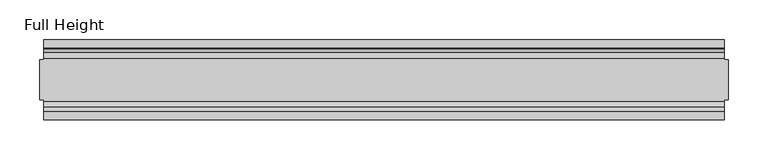
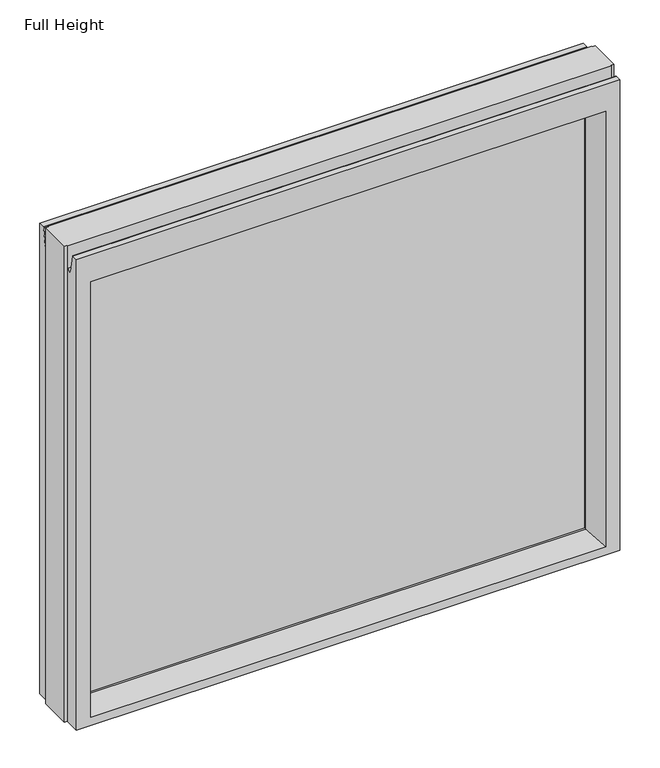
"""IFC4 building model written with IfcOpenShell, lengths in millimetres: plate geometry, Full Height."""

from ifc_helpers import new_model, si_unit, frame, origin, place, context, project, spatial, polyline, circle_curve, outline, extrude, source, transform, mapped, element, save
from ifc_brep_helpers import plane_surface, cylinder_surface, revolved_surface, advanced_brep


def full_height_3d29f75b(model_context):
    return source(origin(), model_context, "Body", "SolidModel", [
        advanced_brep(
        [(426.4172658, -50.0, 0.0), (-426.4172658, -50.0, 0.0), (-426.4172658, -25.146, 0.0), (-430.9892658, -25.146, 0.0), (-430.9892658, 25.146, 0.0), (-426.4172658, 25.146, 0.0), (-426.4172658, 50.0, 0.0), (426.4172658, 50.0, 0.0), (426.4172658, 25.146, 0.0), (430.9892658, 25.146, 0.0), (430.9892658, -25.146, 0.0), (426.4172658, -25.146, 0.0), (430.9892658, -25.146, 789.94), (430.9892658, 25.146, 789.94), (426.4172658, 25.146, 789.94), (426.4172658, 26.67, 789.94), (-426.4172658, 26.67, 789.94), (-426.4172658, 25.146, 789.94), (-430.9892658, 25.146, 789.94), (-430.9892658, -25.146, 789.94), (-426.4172658, -25.146, 789.94), (-426.4172658, -26.67, 789.94), (426.4172658, -26.67, 789.94), (426.4172658, -25.146, 789.94), (-426.4172658, -26.67, 752.729), (426.4172658, -26.67, 752.729), (-426.4172658, 26.67, 752.729), (-426.4172658, 34.2321175, 752.0674004), (-426.4172658, 39.1867152, 780.1663199), (-426.4172658, 39.9371387, 780.796), (-426.4172658, 50.0, 780.796), (-426.4172658, -50.0, 780.796), (-426.4172658, -39.9371387, 780.796), (-426.4172658, -39.1867152, 780.1663199), (-426.4172658, -34.2321175, 752.0674004), (426.4172658, 50.0, 780.796), (-404.3192658, 50.0, 736.219), (-404.3192658, 50.0, 13.9954), (404.3192658, 50.0, 13.9954), (404.3192658, 50.0, 736.219), (426.4172658, -50.0, 780.796), (-404.3192658, -50.0, 13.9954), (-404.3192658, -50.0, 736.219), (404.3192658, -50.0, 736.219), (404.3192658, -50.0, 13.9954), (-398.3502658, 6.1006519, 730.25), (-398.3502658, 6.1006519, 18.3896), (-398.3502658, -6.1006519, 18.3896), (-398.3502658, -6.1006519, 730.25), (398.3502658, -6.1006519, 730.25), (398.3502658, -6.1006519, 18.3896), (398.3502658, 6.1006519, 730.25), (398.3502658, 6.1006519, 18.3896), (426.4172658, -34.2321175, 752.0674004), (426.4172658, -39.1867152, 780.1663199), (426.4172658, -39.9371387, 780.796), (426.4172658, 39.9371387, 780.796), (426.4172658, 39.1867152, 780.1663199), (426.4172658, 34.2321175, 752.0674004), (426.4172658, 26.67, 752.729)],
        [
            (0, 1),
            (1, 2),
            (2, 3),
            (3, 4),
            (4, 5),
            (5, 6),
            (6, 7),
            (7, 8),
            (8, 9),
            (9, 10),
            (10, 11),
            (11, 0),
            (12, 13),
            (13, 14),
            (14, 15),
            (15, 16),
            (16, 17),
            (17, 18),
            (18, 19),
            (19, 20),
            (20, 21),
            (21, 22),
            (22, 23),
            (23, 12),
            (10, 12),
            (23, 11),
            (13, 9),
            (8, 14),
            (18, 4),
            (3, 19),
            (17, 5),
            (2, 20),
            (24, 25),
            (25, 22),
            (21, 24),
            (16, 26),
            (26, 27, circle_curve(frame((-426.4172658, 30.48, 752.729), z_axis=(1.0, 0.0, 0.0), x_axis=(0.0, 1.0, 0.0)), 3.81)),
            (27, 28),
            (28, 29, circle_curve(frame((-426.4172658, 39.9371387, 780.034), z_axis=(-1.0, 0.0, 0.0), x_axis=(0.0, 1.0, 0.0)), 0.762)),
            (29, 30),
            (30, 6),
            (1, 31),
            (31, 32),
            (32, 33, circle_curve(frame((-426.4172658, -39.9371387, 780.034), z_axis=(-1.0, 0.0, 0.0), x_axis=(0.0, 1.0, 0.0)), 0.762)),
            (33, 34),
            (34, 24, circle_curve(frame((-426.4172658, -30.48, 752.729), z_axis=(1.0, 0.0, 0.0), x_axis=(0.0, 1.0, 0.0)), 3.81)),
            (30, 35),
            (35, 7),
            (36, 37),
            (37, 38),
            (38, 39),
            (39, 36),
            (0, 40),
            (40, 31),
            (41, 42),
            (42, 43),
            (43, 44),
            (44, 41),
            (36, 45),
            (45, 46),
            (46, 37),
            (41, 47),
            (47, 48),
            (48, 42),
            (43, 49),
            (49, 50),
            (50, 44),
            (51, 39),
            (38, 52),
            (52, 51),
            (25, 53, circle_curve(frame((426.4172658, -30.48, 752.729), z_axis=(-1.0, 0.0, 0.0), x_axis=(0.0, 1.0, 0.0)), 3.81)),
            (53, 54),
            (54, 55, circle_curve(frame((426.4172658, -39.9371387, 780.034), z_axis=(1.0, 0.0, 0.0), x_axis=(0.0, 1.0, 0.0)), 0.762)),
            (55, 40),
            (35, 56),
            (56, 57, circle_curve(frame((426.4172658, 39.9371387, 780.034), z_axis=(1.0, 0.0, 0.0), x_axis=(0.0, 1.0, 0.0)), 0.762)),
            (57, 58),
            (58, 59, circle_curve(frame((426.4172658, 30.48, 752.729), z_axis=(-1.0, 0.0, 0.0), x_axis=(0.0, 1.0, 0.0)), 3.81)),
            (59, 15),
            (55, 32),
            (29, 56),
            (59, 26),
            (51, 45),
            (33, 54),
            (53, 34),
            (28, 57),
            (27, 58),
            (46, 52),
            (50, 47),
            (48, 49),
            (51, 49),
            (48, 45),
            (46, 47),
            (50, 52),
        ],
        [
            plane_surface(frame((-426.4172658, 50.0, 0.0), z_axis=(0.0, 0.0, -1.0), x_axis=(0.0, -1.0, 0.0))),
            plane_surface(frame((426.4172658, -25.146, 789.94), z_axis=(0.0, 0.0, 1.0), x_axis=(-1.0, 0.0, 0.0))),
            plane_surface(frame((430.9892658, -25.146, 789.94), z_axis=(0.0, -1.0, 0.0), x_axis=(0.0, 0.0, -1.0))),
            plane_surface(frame((426.4172658, 25.146, 789.94), z_axis=(0.0, 1.0, 0.0), x_axis=(0.0, 0.0, -1.0))),
            plane_surface(frame((430.9892658, 25.146, 789.94), z_axis=(1.0, 0.0, 0.0), x_axis=(0.0, 0.0, -1.0))),
            plane_surface(frame((-430.9892658, -25.146, 789.94), z_axis=(-1.0, 0.0, 0.0), x_axis=(0.0, 0.0, -1.0))),
            plane_surface(frame((-430.9892658, 25.146, 789.94), z_axis=(0.0, 1.0, 0.0), x_axis=(0.0, 0.0, -1.0))),
            plane_surface(frame((-426.4172658, -25.146, 789.94), z_axis=(0.0, -1.0, 0.0), x_axis=(0.0, 0.0, -1.0))),
            plane_surface(frame((-426.4172658, -26.67, 789.94), z_axis=(0.0, -1.0, 0.0), x_axis=(1.0, 0.0, 0.0))),
            plane_surface(frame((-426.4172658, -50.0, 748.0046), z_axis=(-1.0, 0.0, 0.0), x_axis=(0.0, 0.0, -1.0))),
            plane_surface(frame((-426.4172658, 50.0, 748.0046), z_axis=(0.0, 1.0, 0.0), x_axis=(0.0, 0.0, -1.0))),
            plane_surface(frame((-404.3192658, -50.0, 748.0046), z_axis=(0.0, -1.0, 0.0), x_axis=(0.0, 0.0, -1.0))),
            plane_surface(frame((-404.3192658, 50.0, 748.0046), z_axis=(0.990882294353361, 0.13473039277393772, 0.0), x_axis=(0.0, 0.0, -1.0))),
            plane_surface(frame((-398.3502658, -6.1006519, 748.0046), z_axis=(0.990882294353361, -0.13473039277393709, 0.0), x_axis=(0.0, 0.0, -1.0))),
            plane_surface(frame((404.3192658, -50.0, 748.0046), z_axis=(-0.9908822943533626, -0.134730392773925, 0.0), x_axis=(0.0, 0.0, -1.0))),
            plane_surface(frame((398.3502658, 6.1006519, 748.0046), z_axis=(-0.9908822943533585, 0.13473039277395565, 0.0), x_axis=(0.0, 0.0, -1.0))),
            plane_surface(frame((426.4172658, 50.0, 748.0046), z_axis=(1.0, 0.0, 0.0), x_axis=(0.0, 0.0, -1.0))),
            plane_surface(frame((-426.4172658, -39.9371387, 780.796), z_axis=(0.0, 0.0, 1.0), x_axis=(1.0, 0.0, 0.0))),
            plane_surface(frame((-426.4172658, 50.0, 780.796), z_axis=(0.0, 0.0, 1.0), x_axis=(1.0, 0.0, 0.0))),
            plane_surface(frame((-426.4172658, 26.67, 752.729), z_axis=(0.0, 1.0, 0.0), x_axis=(1.0, 0.0, 0.0))),
            plane_surface(frame((-426.4172658, 6.1006519, 730.25), z_axis=(0.0, 0.13473039277393184, -0.9908822943533617), x_axis=(1.0, 0.0, 0.0))),
            plane_surface(frame((-426.4172658, -34.2321175, 752.0674004), z_axis=(0.0, 0.9848077530122084, 0.17364817766692875), x_axis=(1.0, 0.0, 0.0))),
            revolved_surface(polyline([(426.4172658, -26.67, 752.729), (-426.4172658, -26.67, 752.729)]), (426.4172658, -30.48, 752.729), (1.0, 0.0, 0.0)),
            cylinder_surface(frame((426.4172658, -39.9371387, 780.034), z_axis=(-1.0, 0.0, 0.0), x_axis=(0.0, 1.0, 0.0)), 0.762),
            cylinder_surface(frame((426.4172658, 39.9371387, 780.034), z_axis=(-1.0, 0.0, 0.0), x_axis=(0.0, 1.0, 0.0)), 0.762),
            plane_surface(frame((-426.4172658, 39.1867152, 780.1663199), z_axis=(0.0, -0.9848077530122005, 0.17364817766697394), x_axis=(1.0, 0.0, 0.0))),
            revolved_surface(polyline([(426.4172658, 34.29, 752.729), (-426.4172658, 34.29, 752.729)]), (426.4172658, 30.48, 752.729), (1.0, 0.0, 0.0)),
            plane_surface(frame((-426.4172658, 50.0, 13.9954), z_axis=(0.0, 0.09959943661133767, 0.9950276138010965), x_axis=(1.0, 0.0, 0.0))),
            plane_surface(frame((-426.4172658, -6.1006519, 18.3896), z_axis=(0.0, -0.09959943661137731, 0.9950276138010926), x_axis=(1.0, 0.0, 0.0))),
            plane_surface(frame((-426.4172658, -50.0, 736.219), z_axis=(0.0, -0.13473039277391685, -0.9908822943533637), x_axis=(1.0, 0.0, 0.0))),
            plane_surface(frame((-426.4172658, -6.1006519, 730.25), z_axis=(0.0, 0.0, -1.0), x_axis=(1.0, 0.0, 0.0))),
            plane_surface(frame((-426.4172658, 6.1006519, 18.3896), z_axis=(0.0, 0.0, 1.0), x_axis=(1.0, 0.0, 0.0))),
            plane_surface(frame((-398.3502658, 6.1006519, 748.0046), z_axis=(1.0, 0.0, 0.0), x_axis=(0.0, 0.0, -1.0))),
            plane_surface(frame((398.3502658, -6.1006519, 748.0046), z_axis=(-1.0, 0.0, 0.0), x_axis=(0.0, 0.0, -1.0))),
        ],
        [
            (0, [[1, 2, 3, 4, 5, 6, 7, 8, 9, 10, 11, 12]]),
            (1, [[13, 14, 15, 16, 17, 18, 19, 20, 21, 22, 23, 24]]),
            (2, [[-11, 25, -24, 26]]),
            (3, [[27, -9, 28, -14]]),
            (4, [[-25, -10, -27, -13]]),
            (5, [[29, -4, 30, -19]]),
            (6, [[-5, -29, -18, 31]]),
            (7, [[-30, -3, 32, -20]]),
            (8, [[33, 34, -22, 35]]),
            (9, [[-31, -17, 36, 37, 38, 39, 40, 41, -6]]),
            (9, [[42, 43, 44, 45, 46, -35, -21, -32, -2]]),
            (10, [[47, 48, -7, -41], [49, 50, 51, 52]]),
            (11, [[53, 54, -42, -1], [55, 56, 57, 58]]),
            (12, [[59, 60, 61, -49]]),
            (13, [[62, 63, 64, -55]]),
            (14, [[65, 66, 67, -57]]),
            (15, [[68, -51, 69, 70]]),
            (16, [[-26, -23, -34, 71, 72, 73, 74, -53, -12]]),
            (16, [[75, 76, 77, 78, 79, -15, -28, -8, -48]]),
            (17, [[-54, -74, 80, -43]]),
            (18, [[81, -75, -47, -40]]),
            (19, [[-16, -79, 82, -36]]),
            (20, [[-68, 83, -59, -52]]),
            (21, [[84, -72, 85, -45]]),
            (22, [[-85, -71, -33, -46]]),
            (23, [[-80, -73, -84, -44]]),
            (24, [[86, -76, -81, -39]]),
            (25, [[87, -77, -86, -38]]),
            (26, [[-82, -78, -87, -37]]),
            (27, [[-61, 88, -69, -50]]),
            (28, [[-67, 89, -62, -58]]),
            (29, [[-64, 90, -65, -56]]),
            (30, [[91, -90, 92, -83]]),
            (31, [[93, -89, 94, -88]]),
            (32, [[-93, -60, -92, -63]]),
            (33, [[-94, -66, -91, -70]]),
        ],
    ),
        extrude(outline(polyline([(-398.3502658, -3.175), (-398.3502658, 3.175), (398.3502658, 3.175), (398.3502658, -3.175), (-398.3502658, -3.175)])), frame((0.0, 0.0, 18.3896), z_axis=(0.0, 0.0, 1.0), x_axis=(1.0, 0.0, 0.0)), (0.0, 0.0, 1.0), 711.8604),
    ])


if __name__ == "__main__":
    model = new_model("IFC4")
    model_context = context("Model", 3, world=origin())
    ifc_project = project(units=[si_unit("LENGTHUNIT", "METRE", prefix="MILLI")], contexts=[model_context])
    site = spatial("IfcSite", under=ifc_project)
    building = spatial("IfcBuilding", under=site)
    placement = place(None, origin())
    full_height_shape = full_height_3d29f75b(model_context)
    element("IfcPlate", 1, ObjectType="Full Height", at=placement, inside=building, context=model_context, shape_type="MappedRepresentation", body=[
        mapped(full_height_shape, transform((0.0, 0.0, 0.0), x_axis=(1.0, 0.0, 0.0), y_axis=(0.0, 1.0, 0.0), z_axis=(0.0, 0.0, 1.0))),
    ])
    save(model, "model.ifc")
